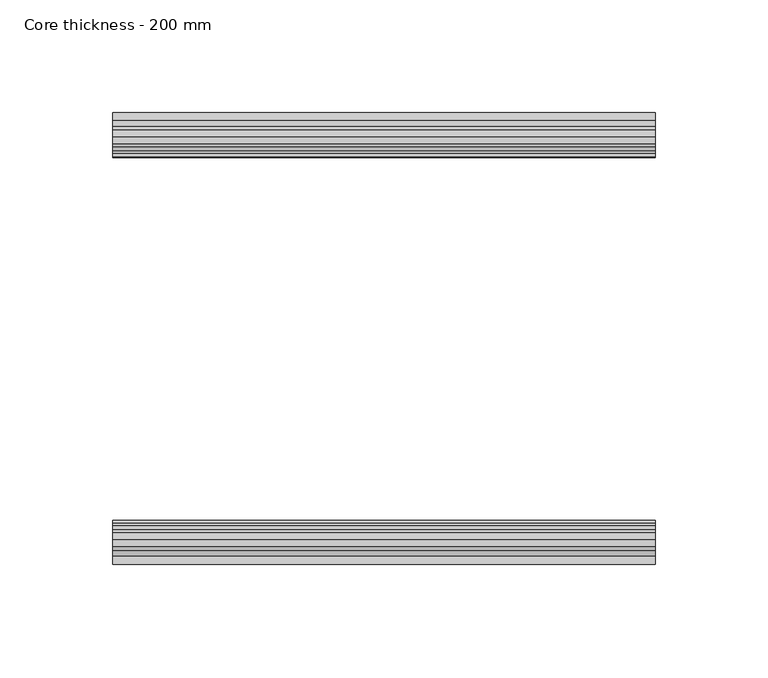
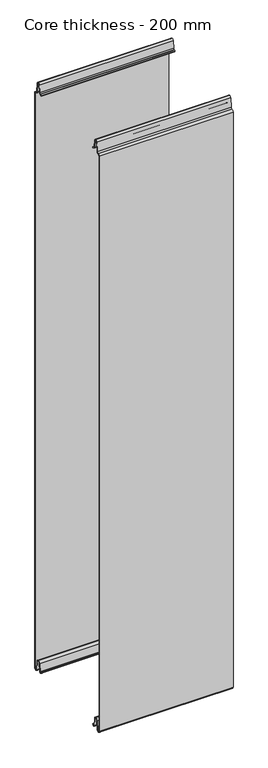
"""IFC4 building model written with IfcOpenShell, lengths in millimetres: plate geometry, Core thickness - 200 mm."""

from ifc_helpers import new_model, si_unit, frame, origin, place, context, project, spatial, polyline, circle_curve, source, transform, mapped, element, save
from ifc_brep_helpers import plane_surface, cylinder_surface, revolved_surface, advanced_brep


def core_thickness_200_mm_5562f14e(model_context):
    return source(origin(), model_context, "Body", "AdvancedBrep", [
        advanced_brep(
        [(119.9999998, -199.1996949, 1093.8000005), (119.9999998, -196.6339815, 1096.1942726), (119.9999998, -193.1209335, 1099.1779769), (119.9999998, -191.4584333, 1116.1334653), (119.9999998, -189.1776715, 1118.1999998), (119.9999998, -186.8969097, 1116.1334653), (119.9999998, -185.5642071, 1102.5415123), (119.9999998, -182.9766159, 1100.1952279), (119.9999998, -181.8996949, 1100.1952279), (119.9999998, -181.2996949, 1099.5952279), (119.9999998, -181.2996949, 1098.4952279), (119.9999998, -180.4996949, 1098.4952279), (119.9999998, -180.4996949, 1099.5952279), (119.9999998, -181.8996949, 1100.9952279), (119.9999998, -182.9766159, 1100.9952279), (119.9999998, -184.7680252, 1102.6195786), (119.9999998, -186.1007278, 1116.2115316), (119.9999998, -189.1776715, 1119.0), (119.9999998, -192.2546153, 1116.2115316), (119.9999998, -193.9171154, 1099.2560432), (119.9999998, -196.5778021, 1097.005967), (119.9999998, -199.9996949, 1093.8000005), (119.9999998, -199.9996949, 2.9900682), (119.9999998, -193.81449, 2.6875612), (119.9999998, -192.197116, 19.1828169), (119.9999998, -189.1776715, 21.8898782), (119.9999998, -186.1582271, 19.1828169), (119.9999998, -184.7725998, 5.0510966), (119.9999998, -180.3830995, 5.265779), (119.9999998, -181.1830995, 5.265779), (119.9999998, -183.9764178, 5.1291629), (119.9999998, -185.3620451, 19.2608832), (119.9999998, -189.1776715, 22.6899182), (119.9999998, -192.9932979, 19.2608832), (119.9999998, -194.6106719, 2.7656275), (119.9999998, -199.1996949, 2.9900682), (-119.9999998, -199.2, 1093.8000005), (-119.9999998, -199.2, 2.9900682), (-119.9999998, -194.6106719, 2.7656275), (-119.9999998, -192.9932979, 19.2608832), (-119.9999998, -189.1776715, 22.6899182), (-119.9999998, -185.3620451, 19.2608832), (-119.9999998, -183.9764178, 5.1291629), (-119.9999998, -181.1830995, 5.265779), (-119.9999998, -180.3830995, 5.265779), (-119.9999998, -184.7725998, 5.0510966), (-119.9999998, -186.1582271, 19.1828169), (-119.9999998, -189.1776715, 21.8898782), (-119.9999998, -192.197116, 19.1828169), (-119.9999998, -193.81449, 2.6875612), (-119.9999998, -199.9996949, 2.9900682), (-119.9999998, -199.9996949, 1093.8000005), (-119.9999998, -196.5787437, 1096.9923633), (-119.9999998, -193.9171154, 1099.2560432), (-119.9999998, -192.2546153, 1116.2115316), (-119.9999998, -189.1776715, 1119.0), (-119.9999998, -186.1007278, 1116.2115316), (-119.9999998, -184.7680252, 1102.6195786), (-119.9999998, -182.9766159, 1100.9952279), (-119.9999998, -181.8996949, 1100.9952279), (-119.9999998, -180.4996949, 1099.5952279), (-119.9999998, -180.4996949, 1098.4952279), (-119.9999998, -181.2996949, 1098.4952279), (-119.9999998, -181.2996949, 1099.5952279), (-119.9999998, -181.8996949, 1100.1952279), (-119.9999998, -182.9766159, 1100.1952279), (-119.9999998, -185.5642071, 1102.5415123), (-119.9999998, -186.8969097, 1116.1334653), (-119.9999998, -189.1776715, 1118.1999998), (-119.9999998, -191.4584333, 1116.1334653), (-119.9999998, -193.1209335, 1099.1779769), (-119.9999998, -196.6330399, 1096.2078763)],
        [
            (0, 1, circle_curve(frame((119.9999998, -196.7996949, 1093.8000005), z_axis=(-1.0, 0.0, 0.0), x_axis=(0.0, 0.0, -1.0)), 2.4)),
            (1, 2, circle_curve(frame((119.9999998, -196.4051839, 1099.5000005), z_axis=(1.0, 0.0, 0.0), x_axis=(0.0, 0.0, -1.0)), 3.3)),
            (2, 3),
            (3, 4, circle_curve(frame((119.9999998, -189.1793626, 1115.9100005), z_axis=(-1.0, 0.0, 0.0), x_axis=(0.0, 0.0, -1.0)), 2.29)),
            (4, 5, circle_curve(frame((119.9999998, -189.1759805, 1115.9100005), z_axis=(-1.0, 0.0, 0.0), x_axis=(0.0, 0.0, -1.0)), 2.29)),
            (5, 6),
            (6, 7, circle_curve(frame((119.9999998, -182.9766159, 1102.7952279), z_axis=(1.0, 0.0, 0.0), x_axis=(0.0, 0.0, -1.0)), 2.6)),
            (7, 8),
            (8, 9, circle_curve(frame((119.9999998, -181.8996949, 1099.5952279), z_axis=(-1.0, 0.0, 0.0), x_axis=(0.0, 0.0, -1.0)), 0.6)),
            (9, 10),
            (10, 11),
            (11, 12),
            (12, 13, circle_curve(frame((119.9999998, -181.8996949, 1099.5952279), z_axis=(1.0, 0.0, 0.0), x_axis=(0.0, 0.0, -1.0)), 1.4)),
            (13, 14),
            (14, 15, circle_curve(frame((119.9999998, -182.9766159, 1102.7952279), z_axis=(-1.0, 0.0, 0.0), x_axis=(0.0, 0.0, -1.0)), 1.8)),
            (15, 16),
            (16, 17, circle_curve(frame((119.9999998, -189.1759805, 1115.9100005), z_axis=(1.0, 0.0, 0.0), x_axis=(0.0, 0.0, -1.0)), 3.09)),
            (17, 18, circle_curve(frame((119.9999998, -189.1793626, 1115.9100005), z_axis=(1.0, 0.0, 0.0), x_axis=(0.0, 0.0, -1.0)), 3.09)),
            (18, 19),
            (19, 20, circle_curve(frame((119.9999998, -196.4051839, 1099.5000005), z_axis=(-1.0, 0.0, 0.0), x_axis=(0.0, 0.0, -1.0)), 2.5)),
            (20, 21, circle_curve(frame((119.9999998, -196.7996949, 1093.8000005), z_axis=(1.0, 0.0, 0.0), x_axis=(0.0, 0.0, -1.0)), 3.2)),
            (21, 22),
            (22, 23, circle_curve(frame((119.9999998, -196.8996949, 2.9900682), z_axis=(1.0, 0.0, 0.0), x_axis=(0.0, 0.0, -1.0)), 3.1)),
            (23, 24),
            (24, 25, circle_curve(frame((119.9999998, -189.2114338, 18.8900682), z_axis=(-1.0, 0.0, 0.0), x_axis=(0.0, 0.0, -1.0)), 3.0)),
            (25, 26, circle_curve(frame((119.9999998, -189.1439093, 18.8900682), z_axis=(-1.0, 0.0, 0.0), x_axis=(0.0, 0.0, -1.0)), 3.0)),
            (26, 27),
            (27, 28, circle_curve(frame((119.9999998, -182.5830995, 5.265779), z_axis=(1.0, 0.0, 0.0), x_axis=(0.0, 0.0, -1.0)), 2.2)),
            (28, 29),
            (29, 30, circle_curve(frame((119.9999998, -182.5830995, 5.265779), z_axis=(-1.0, 0.0, 0.0), x_axis=(0.0, 0.0, -1.0)), 1.4)),
            (30, 31),
            (31, 32, circle_curve(frame((119.9999998, -189.1439093, 18.8900682), z_axis=(1.0, 0.0, 0.0), x_axis=(0.0, 0.0, -1.0)), 3.8)),
            (32, 33, circle_curve(frame((119.9999998, -189.2114338, 18.8900682), z_axis=(1.0, 0.0, 0.0), x_axis=(0.0, 0.0, -1.0)), 3.8)),
            (33, 34),
            (34, 35, circle_curve(frame((119.9999998, -196.8996949, 2.9900682), z_axis=(-1.0, 0.0, 0.0), x_axis=(0.0, 0.0, -1.0)), 2.3)),
            (35, 0),
            (36, 37),
            (37, 38, circle_curve(frame((-119.9999998, -196.8996949, 2.9900682), z_axis=(1.0, 0.0, 0.0), x_axis=(0.0, 0.0, -1.0)), 2.3)),
            (38, 39),
            (39, 40, circle_curve(frame((-119.9999998, -189.2114338, 18.8900682), z_axis=(-1.0, 0.0, 0.0), x_axis=(0.0, 0.0, -1.0)), 3.8)),
            (40, 41, circle_curve(frame((-119.9999998, -189.1439093, 18.8900682), z_axis=(-1.0, 0.0, 0.0), x_axis=(0.0, 0.0, -1.0)), 3.8)),
            (41, 42),
            (42, 43, circle_curve(frame((-119.9999998, -182.5830995, 5.265779), z_axis=(1.0, 0.0, 0.0), x_axis=(0.0, 0.0, -1.0)), 1.4)),
            (43, 44),
            (44, 45, circle_curve(frame((-119.9999998, -182.5830995, 5.265779), z_axis=(-1.0, 0.0, 0.0), x_axis=(0.0, 0.0, -1.0)), 2.2)),
            (45, 46),
            (46, 47, circle_curve(frame((-119.9999998, -189.1439093, 18.8900682), z_axis=(1.0, 0.0, 0.0), x_axis=(0.0, 0.0, -1.0)), 3.0)),
            (47, 48, circle_curve(frame((-119.9999998, -189.2114338, 18.8900682), z_axis=(1.0, 0.0, 0.0), x_axis=(0.0, 0.0, -1.0)), 3.0)),
            (48, 49),
            (49, 50, circle_curve(frame((-119.9999998, -196.8996949, 2.9900682), z_axis=(-1.0, 0.0, 0.0), x_axis=(0.0, 0.0, -1.0)), 3.1)),
            (50, 51),
            (51, 52, circle_curve(frame((-119.9999998, -196.7996949, 1093.8000005), z_axis=(-1.0, 0.0, 0.0), x_axis=(0.0, 0.0, -1.0)), 3.2)),
            (52, 53, circle_curve(frame((-119.9999998, -196.4051839, 1099.5000005), z_axis=(1.0, 0.0, 0.0), x_axis=(0.0, 0.0, -1.0)), 2.5)),
            (53, 54),
            (54, 55, circle_curve(frame((-119.9999998, -189.1793626, 1115.9100005), z_axis=(-1.0, 0.0, 0.0), x_axis=(0.0, 0.0, -1.0)), 3.09)),
            (55, 56, circle_curve(frame((-119.9999998, -189.1759805, 1115.9100005), z_axis=(-1.0, 0.0, 0.0), x_axis=(0.0, 0.0, -1.0)), 3.09)),
            (56, 57),
            (57, 58, circle_curve(frame((-119.9999998, -182.9766159, 1102.7952279), z_axis=(1.0, 0.0, 0.0), x_axis=(0.0, 0.0, -1.0)), 1.8)),
            (58, 59),
            (59, 60, circle_curve(frame((-119.9999998, -181.8996949, 1099.5952279), z_axis=(-1.0, 0.0, 0.0), x_axis=(0.0, 0.0, -1.0)), 1.4)),
            (60, 61),
            (61, 62),
            (62, 63),
            (63, 64, circle_curve(frame((-119.9999998, -181.8996949, 1099.5952279), z_axis=(1.0, 0.0, 0.0), x_axis=(0.0, 0.0, -1.0)), 0.6)),
            (64, 65),
            (65, 66, circle_curve(frame((-119.9999998, -182.9766159, 1102.7952279), z_axis=(-1.0, 0.0, 0.0), x_axis=(0.0, 0.0, -1.0)), 2.6)),
            (66, 67),
            (67, 68, circle_curve(frame((-119.9999998, -189.1759805, 1115.9100005), z_axis=(1.0, 0.0, 0.0), x_axis=(0.0, 0.0, -1.0)), 2.29)),
            (68, 69, circle_curve(frame((-119.9999998, -189.1793626, 1115.9100005), z_axis=(1.0, 0.0, 0.0), x_axis=(0.0, 0.0, -1.0)), 2.29)),
            (69, 70),
            (70, 71, circle_curve(frame((-119.9999998, -196.4051839, 1099.5000005), z_axis=(-1.0, 0.0, 0.0), x_axis=(0.0, 0.0, -1.0)), 3.3)),
            (71, 36, circle_curve(frame((-119.9999998, -196.7996949, 1093.8000005), z_axis=(1.0, 0.0, 0.0), x_axis=(0.0, 0.0, -1.0)), 2.4)),
            (35, 37),
            (36, 0),
            (21, 51),
            (50, 22),
            (20, 52),
            (19, 53),
            (18, 54),
            (17, 55),
            (16, 56),
            (15, 57),
            (14, 58),
            (13, 59),
            (12, 60),
            (11, 61),
            (10, 62),
            (9, 63),
            (8, 64),
            (7, 65),
            (6, 66),
            (5, 67),
            (4, 68),
            (3, 69),
            (2, 70),
            (1, 71),
            (34, 38),
            (33, 39),
            (32, 40),
            (31, 41),
            (30, 42),
            (29, 43),
            (28, 44),
            (27, 45),
            (26, 46),
            (25, 47),
            (24, 48),
            (23, 49),
        ],
        [
            plane_surface(frame((119.9999998, -200.0, 0.0), z_axis=(1.0, 0.0, 0.0), x_axis=(0.0, 1.0, 0.0))),
            plane_surface(frame((-119.9999998, -200.0, 0.0), z_axis=(-1.0, 0.0, 0.0), x_axis=(0.0, 1.0, 0.0))),
            plane_surface(frame((119.9999998, -199.2, 2.9900682), z_axis=(0.0, 1.0, 0.0), x_axis=(-1.0, 0.0, 0.0))),
            plane_surface(frame((119.9999998, -199.9996949, 1093.8000005), z_axis=(0.0, -1.0, 0.0), x_axis=(-1.0, 0.0, 0.0))),
            cylinder_surface(frame((119.9999998, -196.7996949, 1093.8000005), z_axis=(1.0, 0.0, 0.0), x_axis=(0.0, 0.0, -1.0)), 3.2),
            revolved_surface(polyline([(-119.9999998, -196.4051839, 1097.0000005), (119.9999998, -196.4051839, 1097.0000005)]), (119.9999998, -196.4051839, 1099.5000005), (-1.0, 0.0, 0.0)),
            plane_surface(frame((119.9999998, -192.2546153, 1116.2115316), z_axis=(0.0, -0.9952273999818317, 0.0975828997591444), x_axis=(-1.0, 0.0, 0.0))),
            cylinder_surface(frame((119.9999998, -189.1793626, 1115.9100005), z_axis=(1.0, 0.0, 0.0), x_axis=(0.0, 0.0, -1.0)), 3.09),
            cylinder_surface(frame((119.9999998, -189.1759805, 1115.9100005), z_axis=(1.0, 0.0, 0.0), x_axis=(0.0, 0.0, -1.0)), 3.09),
            plane_surface(frame((119.9999998, -184.7680252, 1102.6195786), z_axis=(0.0, 0.9952273999818314, 0.0975828997591471), x_axis=(-1.0, 0.0, 0.0))),
            revolved_surface(polyline([(-119.9999998, -182.9766159, 1100.9952279000001), (119.9999998, -182.9766159, 1100.9952279000001)]), (119.9999998, -182.9766159, 1102.7952279), (-1.0, 0.0, 0.0)),
            plane_surface(frame((119.9999998, -181.8996949, 1100.9952279), z_axis=(0.0, 0.0, 1.0), x_axis=(-1.0, 0.0, 0.0))),
            cylinder_surface(frame((119.9999998, -181.8996949, 1099.5952279), z_axis=(1.0, 0.0, 0.0), x_axis=(0.0, 0.0, -1.0)), 1.4),
            plane_surface(frame((119.9999998, -180.4996949, 1098.4952279), z_axis=(0.0, 1.0, 0.0), x_axis=(-1.0, 0.0, 0.0))),
            plane_surface(frame((119.9999998, -181.2996949, 1098.4952279), z_axis=(0.0, 0.0, -1.0), x_axis=(-1.0, 0.0, 0.0))),
            plane_surface(frame((119.9999998, -181.2996949, 1099.5952279), z_axis=(0.0, -1.0, 0.0), x_axis=(-1.0, 0.0, 0.0))),
            revolved_surface(polyline([(-119.9999998, -181.8996949, 1098.9952279000001), (119.9999998, -181.8996949, 1098.9952279000001)]), (119.9999998, -181.8996949, 1099.5952279), (-1.0, 0.0, 0.0)),
            plane_surface(frame((119.9999998, -182.9766159, 1100.1952279), z_axis=(0.0, 0.0, -1.0), x_axis=(-1.0, 0.0, 0.0))),
            cylinder_surface(frame((119.9999998, -182.9766159, 1102.7952279), z_axis=(1.0, 0.0, 0.0), x_axis=(0.0, 0.0, -1.0)), 2.6),
            plane_surface(frame((119.9999998, -186.8969097, 1116.1334653), z_axis=(0.0, -0.9952273999818314, -0.09758289975914705), x_axis=(-1.0, 0.0, 0.0))),
            revolved_surface(polyline([(-119.9999998, -189.1759805, 1113.6200005), (119.9999998, -189.1759805, 1113.6200005)]), (119.9999998, -189.1759805, 1115.9100005), (-1.0, 0.0, 0.0)),
            revolved_surface(polyline([(-119.9999998, -189.1793626, 1113.6200005), (119.9999998, -189.1793626, 1113.6200005)]), (119.9999998, -189.1793626, 1115.9100005), (-1.0, 0.0, 0.0)),
            plane_surface(frame((119.9999998, -193.1209335, 1099.1779769), z_axis=(0.0, 0.9952273999818317, -0.09758289975914436), x_axis=(-1.0, 0.0, 0.0))),
            cylinder_surface(frame((119.9999998, -196.4051839, 1099.5000005), z_axis=(1.0, 0.0, 0.0), x_axis=(0.0, 0.0, -1.0)), 3.3),
            revolved_surface(polyline([(-119.9999998, -196.7996949, 1091.4000004999998), (119.9999998, -196.7996949, 1091.4000004999998)]), (119.9999998, -196.7996949, 1093.8000005), (-1.0, 0.0, 0.0)),
            revolved_surface(polyline([(-119.9999998, -196.8996949, 0.6900682000000002), (119.9999998, -196.8996949, 0.6900682000000002)]), (119.9999998, -196.8996949, 2.9900682), (-1.0, 0.0, 0.0)),
            plane_surface(frame((119.9999998, -192.9932979, 19.2608832), z_axis=(0.0, -0.9952273999818314, 0.09758289975914787), x_axis=(-1.0, 0.0, 0.0))),
            cylinder_surface(frame((119.9999998, -189.2114338, 18.8900682), z_axis=(1.0, 0.0, 0.0), x_axis=(0.0, 0.0, -1.0)), 3.8),
            cylinder_surface(frame((119.9999998, -189.1439093, 18.8900682), z_axis=(1.0, 0.0, 0.0), x_axis=(0.0, 0.0, -1.0)), 3.8),
            plane_surface(frame((119.9999998, -183.9764178, 5.1291629), z_axis=(0.0, 0.9952273999818297, 0.09758289975916531), x_axis=(-1.0, 0.0, 0.0))),
            revolved_surface(polyline([(-119.9999998, -182.5830995, 3.8657790000000003), (119.9999998, -182.5830995, 3.8657790000000003)]), (119.9999998, -182.5830995, 5.265779), (-1.0, 0.0, 0.0)),
            plane_surface(frame((119.9999998, -180.3830995, 5.265779), z_axis=(0.0, 0.0, 1.0), x_axis=(-1.0, 0.0, 0.0))),
            cylinder_surface(frame((119.9999998, -182.5830995, 5.265779), z_axis=(1.0, 0.0, 0.0), x_axis=(0.0, 0.0, -1.0)), 2.2),
            plane_surface(frame((119.9999998, -186.1582271, 19.1828169), z_axis=(0.0, -0.9952273999818296, -0.09758289975916527), x_axis=(-1.0, 0.0, 0.0))),
            revolved_surface(polyline([(-119.9999998, -189.1439093, 15.890068200000002), (119.9999998, -189.1439093, 15.890068200000002)]), (119.9999998, -189.1439093, 18.8900682), (-1.0, 0.0, 0.0)),
            revolved_surface(polyline([(-119.9999998, -189.2114338, 15.890068200000002), (119.9999998, -189.2114338, 15.890068200000002)]), (119.9999998, -189.2114338, 18.8900682), (-1.0, 0.0, 0.0)),
            plane_surface(frame((119.9999998, -193.81449, 2.6875612), z_axis=(0.0, 0.9952273999818314, -0.09758289975914787), x_axis=(-1.0, 0.0, 0.0))),
            cylinder_surface(frame((119.9999998, -196.8996949, 2.9900682), z_axis=(1.0, 0.0, 0.0), x_axis=(0.0, 0.0, -1.0)), 3.1),
        ],
        [
            (0, [[1, 2, 3, 4, 5, 6, 7, 8, 9, 10, 11, 12, 13, 14, 15, 16, 17, 18, 19, 20, 21, 22, 23, 24, 25, 26, 27, 28, 29, 30, 31, 32, 33, 34, 35, 36]]),
            (1, [[37, 38, 39, 40, 41, 42, 43, 44, 45, 46, 47, 48, 49, 50, 51, 52, 53, 54, 55, 56, 57, 58, 59, 60, 61, 62, 63, 64, 65, 66, 67, 68, 69, 70, 71, 72]]),
            (2, [[-36, 73, -37, 74]]),
            (3, [[-22, 75, -51, 76]]),
            (4, [[-21, 77, -52, -75]]),
            (5, [[-20, 78, -53, -77]]),
            (6, [[-19, 79, -54, -78]]),
            (7, [[-18, 80, -55, -79]]),
            (8, [[-17, 81, -56, -80]]),
            (9, [[-16, 82, -57, -81]]),
            (10, [[-15, 83, -58, -82]]),
            (11, [[-14, 84, -59, -83]]),
            (12, [[-13, 85, -60, -84]]),
            (13, [[-12, 86, -61, -85]]),
            (14, [[-11, 87, -62, -86]]),
            (15, [[-10, 88, -63, -87]]),
            (16, [[-9, 89, -64, -88]]),
            (17, [[-8, 90, -65, -89]]),
            (18, [[-7, 91, -66, -90]]),
            (19, [[-6, 92, -67, -91]]),
            (20, [[-5, 93, -68, -92]]),
            (21, [[-4, 94, -69, -93]]),
            (22, [[-3, 95, -70, -94]]),
            (23, [[-2, 96, -71, -95]]),
            (24, [[-1, -74, -72, -96]]),
            (25, [[-35, 97, -38, -73]]),
            (26, [[-34, 98, -39, -97]]),
            (27, [[-33, 99, -40, -98]]),
            (28, [[-32, 100, -41, -99]]),
            (29, [[-31, 101, -42, -100]]),
            (30, [[-30, 102, -43, -101]]),
            (31, [[-29, 103, -44, -102]]),
            (32, [[-28, 104, -45, -103]]),
            (33, [[-27, 105, -46, -104]]),
            (34, [[-26, 106, -47, -105]]),
            (35, [[-25, 107, -48, -106]]),
            (36, [[-24, 108, -49, -107]]),
            (37, [[-23, -76, -50, -108]]),
        ],
    ),
        advanced_brep(
        [(119.9999998, -0.8, 1093.8000005), (119.9999998, -0.8, 2.9900682), (119.9999998, -5.3893281, 2.7656275), (119.9999998, -7.0067021, 19.2608832), (119.9999998, -10.8223285, 22.6899182), (119.9999998, -14.6379549, 19.2608832), (119.9999998, -16.0235822, 5.1291629), (119.9999998, -18.8169005, 5.265779), (119.9999998, -19.6169005, 5.265779), (119.9999998, -15.2274002, 5.0510966), (119.9999998, -13.8417729, 19.1828169), (119.9999998, -10.8223285, 21.8898782), (119.9999998, -7.802884, 19.1828169), (119.9999998, -6.18551, 2.6875612), (119.9999998, -0.0003051, 2.9900682), (119.9999998, -0.0003051, 1093.8000005), (119.9999998, -3.4212563, 1096.9923633), (119.9999998, -6.0828846, 1099.2560432), (119.9999998, -7.7453847, 1116.2115316), (119.9999998, -10.8223285, 1119.0), (119.9999998, -13.8992722, 1116.2115316), (119.9999998, -15.2319748, 1102.6195786), (119.9999998, -17.0233841, 1100.9952279), (119.9999998, -18.1003051, 1100.9952279), (119.9999998, -19.5003051, 1099.5952279), (119.9999998, -19.5003051, 1098.4952279), (119.9999998, -18.7003051, 1098.4952279), (119.9999998, -18.7003051, 1099.5952279), (119.9999998, -18.1003051, 1100.1952279), (119.9999998, -17.0233841, 1100.1952279), (119.9999998, -14.4357929, 1102.5415123), (119.9999998, -13.1030903, 1116.1334653), (119.9999998, -10.8223285, 1118.1999998), (119.9999998, -8.5415667, 1116.1334653), (119.9999998, -6.8790665, 1099.1779769), (119.9999998, -3.3669601, 1096.2078763), (-119.9999998, -0.8003051, 1093.8000005), (-119.9999998, -3.3660185, 1096.1942726), (-119.9999998, -6.8790665, 1099.1779769), (-119.9999998, -8.5415667, 1116.1334653), (-119.9999998, -10.8223285, 1118.1999998), (-119.9999998, -13.1030903, 1116.1334653), (-119.9999998, -14.4357929, 1102.5415123), (-119.9999998, -17.0233841, 1100.1952279), (-119.9999998, -18.1003051, 1100.1952279), (-119.9999998, -18.7003051, 1099.5952279), (-119.9999998, -18.7003051, 1098.4952279), (-119.9999998, -19.5003051, 1098.4952279), (-119.9999998, -19.5003051, 1099.5952279), (-119.9999998, -18.1003051, 1100.9952279), (-119.9999998, -17.0233841, 1100.9952279), (-119.9999998, -15.2319748, 1102.6195786), (-119.9999998, -13.8992722, 1116.2115316), (-119.9999998, -10.8223285, 1119.0), (-119.9999998, -7.7453847, 1116.2115316), (-119.9999998, -6.0828846, 1099.2560432), (-119.9999998, -3.4221979, 1097.005967), (-119.9999998, -0.0003051, 1093.8000005), (-119.9999998, -0.0003051, 2.9900682), (-119.9999998, -6.18551, 2.6875612), (-119.9999998, -7.802884, 19.1828169), (-119.9999998, -10.8223285, 21.8898782), (-119.9999998, -13.8417729, 19.1828169), (-119.9999998, -15.2274002, 5.0510966), (-119.9999998, -19.6169005, 5.265779), (-119.9999998, -18.8169005, 5.265779), (-119.9999998, -16.0235822, 5.1291629), (-119.9999998, -14.6379549, 19.2608832), (-119.9999998, -10.8223285, 22.6899182), (-119.9999998, -7.0067021, 19.2608832), (-119.9999998, -5.3893281, 2.7656275), (-119.9999998, -0.8003051, 2.9900682)],
        [
            (0, 1),
            (1, 2, circle_curve(frame((119.9999998, -3.1003051, 2.9900682), z_axis=(-1.0, 0.0, 0.0), x_axis=(0.0, 0.0, -1.0)), 2.3)),
            (2, 3),
            (3, 4, circle_curve(frame((119.9999998, -10.7885662, 18.8900682), z_axis=(1.0, 0.0, 0.0), x_axis=(0.0, 0.0, -1.0)), 3.8)),
            (4, 5, circle_curve(frame((119.9999998, -10.8560907, 18.8900682), z_axis=(1.0, 0.0, 0.0), x_axis=(0.0, 0.0, -1.0)), 3.8)),
            (5, 6),
            (6, 7, circle_curve(frame((119.9999998, -17.4169005, 5.265779), z_axis=(-1.0, 0.0, 0.0), x_axis=(0.0, 0.0, -1.0)), 1.4)),
            (7, 8),
            (8, 9, circle_curve(frame((119.9999998, -17.4169005, 5.265779), z_axis=(1.0, 0.0, 0.0), x_axis=(0.0, 0.0, -1.0)), 2.2)),
            (9, 10),
            (10, 11, circle_curve(frame((119.9999998, -10.8560907, 18.8900682), z_axis=(-1.0, 0.0, 0.0), x_axis=(0.0, 0.0, -1.0)), 3.0)),
            (11, 12, circle_curve(frame((119.9999998, -10.7885662, 18.8900682), z_axis=(-1.0, 0.0, 0.0), x_axis=(0.0, 0.0, -1.0)), 3.0)),
            (12, 13),
            (13, 14, circle_curve(frame((119.9999998, -3.1003051, 2.9900682), z_axis=(1.0, 0.0, 0.0), x_axis=(0.0, 0.0, -1.0)), 3.1)),
            (14, 15),
            (15, 16, circle_curve(frame((119.9999998, -3.2003051, 1093.8000005), z_axis=(1.0, 0.0, 0.0), x_axis=(0.0, 0.0, -1.0)), 3.2)),
            (16, 17, circle_curve(frame((119.9999998, -3.5948161, 1099.5000005), z_axis=(-1.0, 0.0, 0.0), x_axis=(0.0, 0.0, -1.0)), 2.5)),
            (17, 18),
            (18, 19, circle_curve(frame((119.9999998, -10.8206374, 1115.9100005), z_axis=(1.0, 0.0, 0.0), x_axis=(0.0, 0.0, -1.0)), 3.09)),
            (19, 20, circle_curve(frame((119.9999998, -10.8240195, 1115.9100005), z_axis=(1.0, 0.0, 0.0), x_axis=(0.0, 0.0, -1.0)), 3.09)),
            (20, 21),
            (21, 22, circle_curve(frame((119.9999998, -17.0233841, 1102.7952279), z_axis=(-1.0, 0.0, 0.0), x_axis=(0.0, 0.0, -1.0)), 1.8)),
            (22, 23),
            (23, 24, circle_curve(frame((119.9999998, -18.1003051, 1099.5952279), z_axis=(1.0, 0.0, 0.0), x_axis=(0.0, 0.0, -1.0)), 1.4)),
            (24, 25),
            (25, 26),
            (26, 27),
            (27, 28, circle_curve(frame((119.9999998, -18.1003051, 1099.5952279), z_axis=(-1.0, 0.0, 0.0), x_axis=(0.0, 0.0, -1.0)), 0.6)),
            (28, 29),
            (29, 30, circle_curve(frame((119.9999998, -17.0233841, 1102.7952279), z_axis=(1.0, 0.0, 0.0), x_axis=(0.0, 0.0, -1.0)), 2.6)),
            (30, 31),
            (31, 32, circle_curve(frame((119.9999998, -10.8240195, 1115.9100005), z_axis=(-1.0, 0.0, 0.0), x_axis=(0.0, 0.0, -1.0)), 2.29)),
            (32, 33, circle_curve(frame((119.9999998, -10.8206374, 1115.9100005), z_axis=(-1.0, 0.0, 0.0), x_axis=(0.0, 0.0, -1.0)), 2.29)),
            (33, 34),
            (34, 35, circle_curve(frame((119.9999998, -3.5948161, 1099.5000005), z_axis=(1.0, 0.0, 0.0), x_axis=(0.0, 0.0, -1.0)), 3.3)),
            (35, 0, circle_curve(frame((119.9999998, -3.2003051, 1093.8000005), z_axis=(-1.0, 0.0, 0.0), x_axis=(0.0, 0.0, -1.0)), 2.4)),
            (36, 37, circle_curve(frame((-119.9999998, -3.2003051, 1093.8000005), z_axis=(1.0, 0.0, 0.0), x_axis=(0.0, 0.0, -1.0)), 2.4)),
            (37, 38, circle_curve(frame((-119.9999998, -3.5948161, 1099.5000005), z_axis=(-1.0, 0.0, 0.0), x_axis=(0.0, 0.0, -1.0)), 3.3)),
            (38, 39),
            (39, 40, circle_curve(frame((-119.9999998, -10.8206374, 1115.9100005), z_axis=(1.0, 0.0, 0.0), x_axis=(0.0, 0.0, -1.0)), 2.29)),
            (40, 41, circle_curve(frame((-119.9999998, -10.8240195, 1115.9100005), z_axis=(1.0, 0.0, 0.0), x_axis=(0.0, 0.0, -1.0)), 2.29)),
            (41, 42),
            (42, 43, circle_curve(frame((-119.9999998, -17.0233841, 1102.7952279), z_axis=(-1.0, 0.0, 0.0), x_axis=(0.0, 0.0, -1.0)), 2.6)),
            (43, 44),
            (44, 45, circle_curve(frame((-119.9999998, -18.1003051, 1099.5952279), z_axis=(1.0, 0.0, 0.0), x_axis=(0.0, 0.0, -1.0)), 0.6)),
            (45, 46),
            (46, 47),
            (47, 48),
            (48, 49, circle_curve(frame((-119.9999998, -18.1003051, 1099.5952279), z_axis=(-1.0, 0.0, 0.0), x_axis=(0.0, 0.0, -1.0)), 1.4)),
            (49, 50),
            (50, 51, circle_curve(frame((-119.9999998, -17.0233841, 1102.7952279), z_axis=(1.0, 0.0, 0.0), x_axis=(0.0, 0.0, -1.0)), 1.8)),
            (51, 52),
            (52, 53, circle_curve(frame((-119.9999998, -10.8240195, 1115.9100005), z_axis=(-1.0, 0.0, 0.0), x_axis=(0.0, 0.0, -1.0)), 3.09)),
            (53, 54, circle_curve(frame((-119.9999998, -10.8206374, 1115.9100005), z_axis=(-1.0, 0.0, 0.0), x_axis=(0.0, 0.0, -1.0)), 3.09)),
            (54, 55),
            (55, 56, circle_curve(frame((-119.9999998, -3.5948161, 1099.5000005), z_axis=(1.0, 0.0, 0.0), x_axis=(0.0, 0.0, -1.0)), 2.5)),
            (56, 57, circle_curve(frame((-119.9999998, -3.2003051, 1093.8000005), z_axis=(-1.0, 0.0, 0.0), x_axis=(0.0, 0.0, -1.0)), 3.2)),
            (57, 58),
            (58, 59, circle_curve(frame((-119.9999998, -3.1003051, 2.9900682), z_axis=(-1.0, 0.0, 0.0), x_axis=(0.0, 0.0, -1.0)), 3.1)),
            (59, 60),
            (60, 61, circle_curve(frame((-119.9999998, -10.7885662, 18.8900682), z_axis=(1.0, 0.0, 0.0), x_axis=(0.0, 0.0, -1.0)), 3.0)),
            (61, 62, circle_curve(frame((-119.9999998, -10.8560907, 18.8900682), z_axis=(1.0, 0.0, 0.0), x_axis=(0.0, 0.0, -1.0)), 3.0)),
            (62, 63),
            (63, 64, circle_curve(frame((-119.9999998, -17.4169005, 5.265779), z_axis=(-1.0, 0.0, 0.0), x_axis=(0.0, 0.0, -1.0)), 2.2)),
            (64, 65),
            (65, 66, circle_curve(frame((-119.9999998, -17.4169005, 5.265779), z_axis=(1.0, 0.0, 0.0), x_axis=(0.0, 0.0, -1.0)), 1.4)),
            (66, 67),
            (67, 68, circle_curve(frame((-119.9999998, -10.8560907, 18.8900682), z_axis=(-1.0, 0.0, 0.0), x_axis=(0.0, 0.0, -1.0)), 3.8)),
            (68, 69, circle_curve(frame((-119.9999998, -10.7885662, 18.8900682), z_axis=(-1.0, 0.0, 0.0), x_axis=(0.0, 0.0, -1.0)), 3.8)),
            (69, 70),
            (70, 71, circle_curve(frame((-119.9999998, -3.1003051, 2.9900682), z_axis=(1.0, 0.0, 0.0), x_axis=(0.0, 0.0, -1.0)), 2.3)),
            (71, 36),
            (35, 37),
            (36, 0),
            (34, 38),
            (33, 39),
            (32, 40),
            (31, 41),
            (30, 42),
            (29, 43),
            (28, 44),
            (27, 45),
            (26, 46),
            (25, 47),
            (24, 48),
            (23, 49),
            (22, 50),
            (21, 51),
            (20, 52),
            (19, 53),
            (18, 54),
            (17, 55),
            (16, 56),
            (15, 57),
            (14, 58),
            (71, 1),
            (13, 59),
            (12, 60),
            (11, 61),
            (10, 62),
            (9, 63),
            (8, 64),
            (7, 65),
            (6, 66),
            (5, 67),
            (4, 68),
            (3, 69),
            (2, 70),
        ],
        [
            plane_surface(frame((119.9999998, 0.0, 0.0), z_axis=(1.0, 0.0, 0.0), x_axis=(0.0, -1.0, 0.0))),
            plane_surface(frame((-119.9999998, 0.0, 0.0), z_axis=(-1.0, 0.0, 0.0), x_axis=(0.0, -1.0, 0.0))),
            revolved_surface(polyline([(-119.9999998, -3.2003051, 1091.4000004999998), (119.9999998, -3.2003051, 1091.4000004999998)]), (119.9999998, -3.2003051, 1093.8000005), (-1.0, 0.0, 0.0)),
            cylinder_surface(frame((119.9999998, -3.5948161, 1099.5000005), z_axis=(1.0, 0.0, 0.0), x_axis=(0.0, 0.0, -1.0)), 3.3),
            plane_surface(frame((119.9999998, -8.5415667, 1116.1334653), z_axis=(0.0, -0.9952273999818317, -0.09758289975914436), x_axis=(-1.0, 0.0, 0.0))),
            revolved_surface(polyline([(-119.9999998, -10.8206374, 1113.6200005), (119.9999998, -10.8206374, 1113.6200005)]), (119.9999998, -10.8206374, 1115.9100005), (-1.0, 0.0, 0.0)),
            revolved_surface(polyline([(-119.9999998, -10.8240195, 1113.6200005), (119.9999998, -10.8240195, 1113.6200005)]), (119.9999998, -10.8240195, 1115.9100005), (-1.0, 0.0, 0.0)),
            plane_surface(frame((119.9999998, -14.4357929, 1102.5415123), z_axis=(0.0, 0.9952273999818314, -0.09758289975914705), x_axis=(-1.0, 0.0, 0.0))),
            cylinder_surface(frame((119.9999998, -17.0233841, 1102.7952279), z_axis=(1.0, 0.0, 0.0), x_axis=(0.0, 0.0, -1.0)), 2.6),
            plane_surface(frame((119.9999998, -18.1003051, 1100.1952279), z_axis=(0.0, 0.0, -1.0), x_axis=(-1.0, 0.0, 0.0))),
            revolved_surface(polyline([(-119.9999998, -18.1003051, 1098.9952279000001), (119.9999998, -18.1003051, 1098.9952279000001)]), (119.9999998, -18.1003051, 1099.5952279), (-1.0, 0.0, 0.0)),
            plane_surface(frame((119.9999998, -18.7003051, 1098.4952279), z_axis=(0.0, 1.0, 0.0), x_axis=(-1.0, 0.0, 0.0))),
            plane_surface(frame((119.9999998, -19.5003051, 1098.4952279), z_axis=(0.0, 0.0, -1.0), x_axis=(-1.0, 0.0, 0.0))),
            plane_surface(frame((119.9999998, -19.5003051, 1099.5952279), z_axis=(0.0, -1.0, 0.0), x_axis=(-1.0, 0.0, 0.0))),
            cylinder_surface(frame((119.9999998, -18.1003051, 1099.5952279), z_axis=(1.0, 0.0, 0.0), x_axis=(0.0, 0.0, -1.0)), 1.4),
            plane_surface(frame((119.9999998, -17.0233841, 1100.9952279), z_axis=(0.0, 0.0, 1.0), x_axis=(-1.0, 0.0, 0.0))),
            revolved_surface(polyline([(-119.9999998, -17.0233841, 1100.9952279000001), (119.9999998, -17.0233841, 1100.9952279000001)]), (119.9999998, -17.0233841, 1102.7952279), (-1.0, 0.0, 0.0)),
            plane_surface(frame((119.9999998, -13.8992722, 1116.2115316), z_axis=(0.0, -0.9952273999818314, 0.0975828997591471), x_axis=(-1.0, 0.0, 0.0))),
            cylinder_surface(frame((119.9999998, -10.8240195, 1115.9100005), z_axis=(1.0, 0.0, 0.0), x_axis=(0.0, 0.0, -1.0)), 3.09),
            cylinder_surface(frame((119.9999998, -10.8206374, 1115.9100005), z_axis=(1.0, 0.0, 0.0), x_axis=(0.0, 0.0, -1.0)), 3.09),
            plane_surface(frame((119.9999998, -6.0828846, 1099.2560432), z_axis=(0.0, 0.9952273999818317, 0.0975828997591444), x_axis=(-1.0, 0.0, 0.0))),
            revolved_surface(polyline([(-119.9999998, -3.5948161, 1097.0000005), (119.9999998, -3.5948161, 1097.0000005)]), (119.9999998, -3.5948161, 1099.5000005), (-1.0, 0.0, 0.0)),
            cylinder_surface(frame((119.9999998, -3.2003051, 1093.8000005), z_axis=(1.0, 0.0, 0.0), x_axis=(0.0, 0.0, -1.0)), 3.2),
            plane_surface(frame((119.9999998, -0.0003051, 2.9900682), z_axis=(0.0, 1.0, 0.0), x_axis=(-1.0, 0.0, 0.0))),
            plane_surface(frame((119.9999998, -0.8, 1093.8000005), z_axis=(0.0, -1.0, 0.0), x_axis=(-1.0, 0.0, 0.0))),
            cylinder_surface(frame((119.9999998, -3.1003051, 2.9900682), z_axis=(1.0, 0.0, 0.0), x_axis=(0.0, 0.0, -1.0)), 3.1),
            plane_surface(frame((119.9999998, -7.802884, 19.1828169), z_axis=(0.0, -0.9952273999818314, -0.09758289975914787), x_axis=(-1.0, 0.0, 0.0))),
            revolved_surface(polyline([(-119.9999998, -10.7885662, 15.890068200000002), (119.9999998, -10.7885662, 15.890068200000002)]), (119.9999998, -10.7885662, 18.8900682), (-1.0, 0.0, 0.0)),
            revolved_surface(polyline([(-119.9999998, -10.8560907, 15.890068200000002), (119.9999998, -10.8560907, 15.890068200000002)]), (119.9999998, -10.8560907, 18.8900682), (-1.0, 0.0, 0.0)),
            plane_surface(frame((119.9999998, -15.2274002, 5.0510966), z_axis=(0.0, 0.9952273999818296, -0.09758289975916527), x_axis=(-1.0, 0.0, 0.0))),
            cylinder_surface(frame((119.9999998, -17.4169005, 5.265779), z_axis=(1.0, 0.0, 0.0), x_axis=(0.0, 0.0, -1.0)), 2.2),
            plane_surface(frame((119.9999998, -18.8169005, 5.265779), z_axis=(0.0, 0.0, 1.0), x_axis=(-1.0, 0.0, 0.0))),
            revolved_surface(polyline([(-119.9999998, -17.4169005, 3.8657790000000003), (119.9999998, -17.4169005, 3.8657790000000003)]), (119.9999998, -17.4169005, 5.265779), (-1.0, 0.0, 0.0)),
            plane_surface(frame((119.9999998, -14.6379549, 19.2608832), z_axis=(0.0, -0.9952273999818297, 0.09758289975916531), x_axis=(-1.0, 0.0, 0.0))),
            cylinder_surface(frame((119.9999998, -10.8560907, 18.8900682), z_axis=(1.0, 0.0, 0.0), x_axis=(0.0, 0.0, -1.0)), 3.8),
            cylinder_surface(frame((119.9999998, -10.7885662, 18.8900682), z_axis=(1.0, 0.0, 0.0), x_axis=(0.0, 0.0, -1.0)), 3.8),
            plane_surface(frame((119.9999998, -5.3893281, 2.7656275), z_axis=(0.0, 0.9952273999818314, 0.09758289975914787), x_axis=(-1.0, 0.0, 0.0))),
            revolved_surface(polyline([(-119.9999998, -3.1003051, 0.6900682000000002), (119.9999998, -3.1003051, 0.6900682000000002)]), (119.9999998, -3.1003051, 2.9900682), (-1.0, 0.0, 0.0)),
        ],
        [
            (0, [[1, 2, 3, 4, 5, 6, 7, 8, 9, 10, 11, 12, 13, 14, 15, 16, 17, 18, 19, 20, 21, 22, 23, 24, 25, 26, 27, 28, 29, 30, 31, 32, 33, 34, 35, 36]]),
            (1, [[37, 38, 39, 40, 41, 42, 43, 44, 45, 46, 47, 48, 49, 50, 51, 52, 53, 54, 55, 56, 57, 58, 59, 60, 61, 62, 63, 64, 65, 66, 67, 68, 69, 70, 71, 72]]),
            (2, [[-36, 73, -37, 74]]),
            (3, [[-35, 75, -38, -73]]),
            (4, [[-34, 76, -39, -75]]),
            (5, [[-33, 77, -40, -76]]),
            (6, [[-32, 78, -41, -77]]),
            (7, [[-31, 79, -42, -78]]),
            (8, [[-30, 80, -43, -79]]),
            (9, [[-29, 81, -44, -80]]),
            (10, [[-28, 82, -45, -81]]),
            (11, [[-27, 83, -46, -82]]),
            (12, [[-26, 84, -47, -83]]),
            (13, [[-25, 85, -48, -84]]),
            (14, [[-24, 86, -49, -85]]),
            (15, [[-23, 87, -50, -86]]),
            (16, [[-22, 88, -51, -87]]),
            (17, [[-21, 89, -52, -88]]),
            (18, [[-20, 90, -53, -89]]),
            (19, [[-19, 91, -54, -90]]),
            (20, [[-18, 92, -55, -91]]),
            (21, [[-17, 93, -56, -92]]),
            (22, [[-16, 94, -57, -93]]),
            (23, [[-15, 95, -58, -94]]),
            (24, [[-1, -74, -72, 96]]),
            (25, [[-14, 97, -59, -95]]),
            (26, [[-13, 98, -60, -97]]),
            (27, [[-12, 99, -61, -98]]),
            (28, [[-11, 100, -62, -99]]),
            (29, [[-10, 101, -63, -100]]),
            (30, [[-9, 102, -64, -101]]),
            (31, [[-8, 103, -65, -102]]),
            (32, [[-7, 104, -66, -103]]),
            (33, [[-6, 105, -67, -104]]),
            (34, [[-5, 106, -68, -105]]),
            (35, [[-4, 107, -69, -106]]),
            (36, [[-3, 108, -70, -107]]),
            (37, [[-2, -96, -71, -108]]),
        ],
    ),
    ])


if __name__ == "__main__":
    model = new_model("IFC4")
    model_context = context("Model", 3, world=origin())
    ifc_project = project(units=[si_unit("LENGTHUNIT", "METRE", prefix="MILLI")], contexts=[model_context])
    site = spatial("IfcSite", under=ifc_project)
    building = spatial("IfcBuilding", under=site)
    placement = place(None, origin())
    core_thickness_200_mm_shape = core_thickness_200_mm_5562f14e(model_context)
    element("IfcPlate", 1, ObjectType="Core thickness - 200 mm", at=placement, inside=building, context=model_context, shape_type="MappedRepresentation", body=[
        mapped(core_thickness_200_mm_shape, transform((0.0, 0.0, 0.0), x_axis=(1.0, 0.0, 0.0), y_axis=(0.0, 1.0, 0.0), z_axis=(0.0, 0.0, 1.0))),
    ])
    save(model, "model.ifc")
